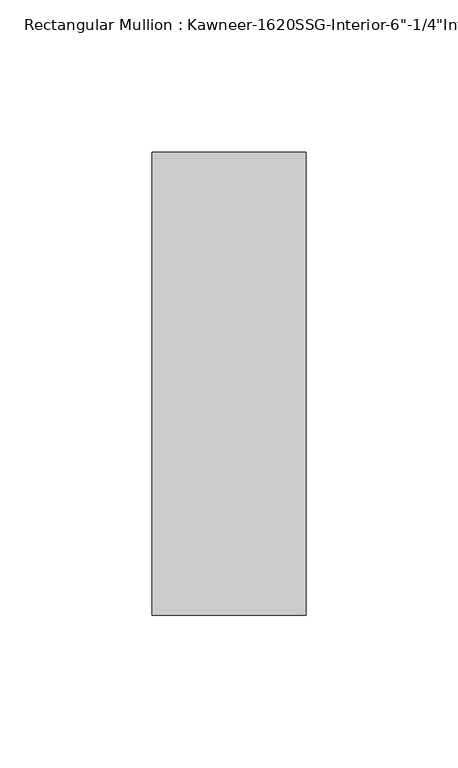
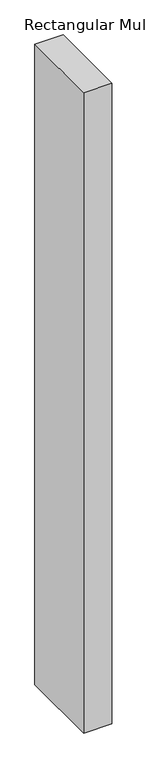
"""IFC4 building model written with IfcOpenShell, lengths in millimetres: member geometry."""

from ifc_helpers import new_model, si_unit, frame, origin, place, context, project, spatial, polyline, outline, extrude, source, transform, mapped, element, save


def member_82a18ca8(model_context):
    return source(origin(), model_context, "Body", "SweptSolid", [
        extrude(outline(polyline([(25.4, -123.825), (-25.4, -123.825), (-25.4, 28.575), (25.4, 28.575), (25.4, -123.825)])), frame((0.0, 0.0, -1219.2), z_axis=(0.0, 0.0, 1.0), x_axis=(1.0, 0.0, 0.0)), (0.0, 0.0, 1.0), 1219.2),
    ])


if __name__ == "__main__":
    model = new_model("IFC4")
    model_context = context("Model", 3, world=origin())
    ifc_project = project(units=[si_unit("LENGTHUNIT", "METRE", prefix="MILLI")], contexts=[model_context])
    site = spatial("IfcSite", under=ifc_project)
    building = spatial("IfcBuilding", under=site)
    placement = place(None, origin())
    member_shape = member_82a18ca8(model_context)
    element("IfcMember", 1, ObjectType="Rectangular Mullion : Kawneer-1620SSG-Interior-6\"-1/4\"Infill", at=placement, inside=building, context=model_context, shape_type="MappedRepresentation", body=[
        mapped(member_shape, transform((0.0, 0.0, 0.0), x_axis=(1.0, 0.0, 0.0), y_axis=(0.0, 1.0, 0.0), z_axis=(0.0, 0.0, 1.0))),
    ])
    save(model, "model.ifc")
